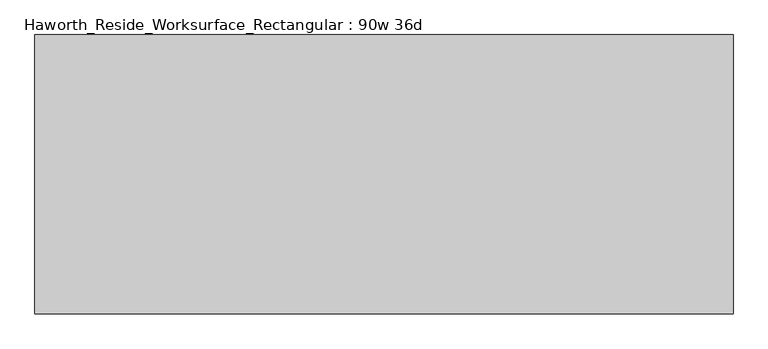
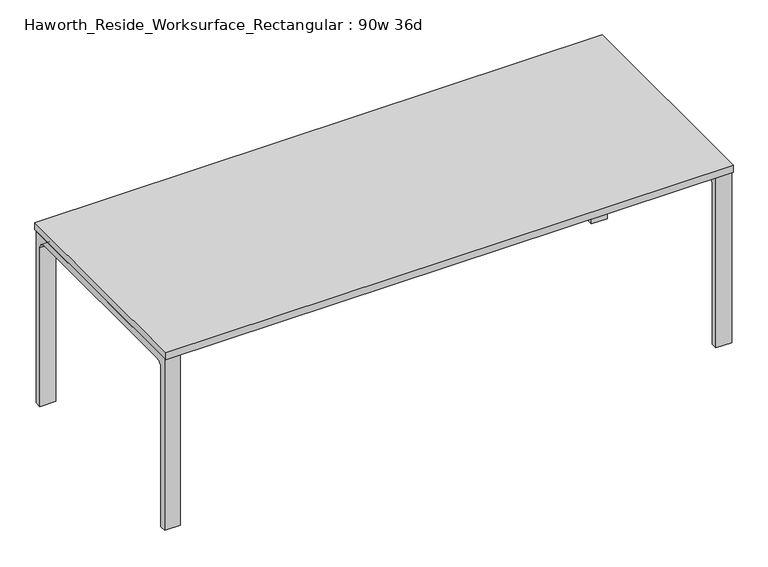
"""IFC4 building model written with IfcOpenShell, lengths in millimetres: furniture geometry, Haworth_Reside_Worksurface_Rectangular : 90w 36d."""

from ifc_helpers import new_model, si_unit, point, frame, frame_2d, origin, place, context, project, spatial, polyline, circle_curve, trimmed, segment, composite_curve, outline, extrude, source, transform, mapped, element, save


def haworth_reside_worksurface_rectangular_90w_36d_8a356d34(model_context):
    return source(origin(), model_context, "Body", "SweptSolid", [
        extrude(outline(composite_curve([segment(trimmed(circle_curve(frame_2d((396.875, 676.275)), 25.4), [point((422.275, 676.275))], [point((396.875, 701.675))], True, "CARTESIAN"), True, "CONTINUOUS"), segment(polyline([(396.875, 701.675), (-396.875, 701.675)]), True, "CONTINUOUS"), segment(trimmed(circle_curve(frame_2d((-396.875, 676.275)), 25.4), [point((-396.875, 701.675))], [point((-422.275, 676.275))], True, "CARTESIAN"), True, "CONTINUOUS"), segment(polyline([(-422.275, 676.275), (-422.275, 0.0), (-447.675, 0.0), (-447.675, 731.8375), (447.675, 731.8375), (447.675, 0.0), (422.275, 0.0), (422.275, 676.275)]), True, "CONTINUOUS")], self_intersect=False)), frame((1079.5, 0.0, 0.0), z_axis=(1.0, 0.0, 0.0), x_axis=(0.0, 1.0, 0.0)), (0.0, 0.0, 1.0), 63.5),
        extrude(outline(composite_curve([segment(trimmed(circle_curve(frame_2d((396.875, 676.275)), 25.4), [point((422.275, 676.275))], [point((396.875, 701.675))], True, "CARTESIAN"), True, "CONTINUOUS"), segment(polyline([(396.875, 701.675), (-396.875, 701.675)]), True, "CONTINUOUS"), segment(trimmed(circle_curve(frame_2d((-396.875, 676.275)), 25.4), [point((-396.875, 701.675))], [point((-422.275, 676.275))], True, "CARTESIAN"), True, "CONTINUOUS"), segment(polyline([(-422.275, 676.275), (-422.275, 0.0), (-447.675, 0.0), (-447.675, 731.8375), (447.675, 731.8375), (447.675, 0.0), (422.275, 0.0), (422.275, 676.275)]), True, "CONTINUOUS")], self_intersect=False)), frame((-1143.0, 0.0, 0.0), z_axis=(1.0, 0.0, 0.0), x_axis=(0.0, 1.0, 0.0)), (0.0, 0.0, 1.0), 63.5),
        extrude(outline(polyline([(1143.0, 457.2), (1143.0, -457.2), (-1143.0, -457.2), (-1143.0, 457.2), (1143.0, 457.2)])), frame((0.0, 0.0, 731.8375), z_axis=(0.0, 0.0, 1.0), x_axis=(1.0, 0.0, 0.0)), (0.0, 0.0, 1.0), 30.1625),
    ])


if __name__ == "__main__":
    model = new_model("IFC4")
    model_context = context("Model", 3, world=origin())
    ifc_project = project(units=[si_unit("LENGTHUNIT", "METRE", prefix="MILLI")], contexts=[model_context])
    site = spatial("IfcSite", under=ifc_project)
    building = spatial("IfcBuilding", under=site)
    placement = place(None, origin())
    haworth_reside_worksurface_rectangular_90w_36d_shape = haworth_reside_worksurface_rectangular_90w_36d_8a356d34(model_context)
    element("IfcFurniture", 1, ObjectType="Haworth_Reside_Worksurface_Rectangular : 90w 36d", at=placement, inside=building, context=model_context, shape_type="MappedRepresentation", body=[
        mapped(haworth_reside_worksurface_rectangular_90w_36d_shape, transform((0.0, 0.0, 0.0), x_axis=(1.0, 0.0, 0.0), y_axis=(0.0, 1.0, 0.0), z_axis=(0.0, 0.0, 1.0))),
    ])
    save(model, "model.ifc")
